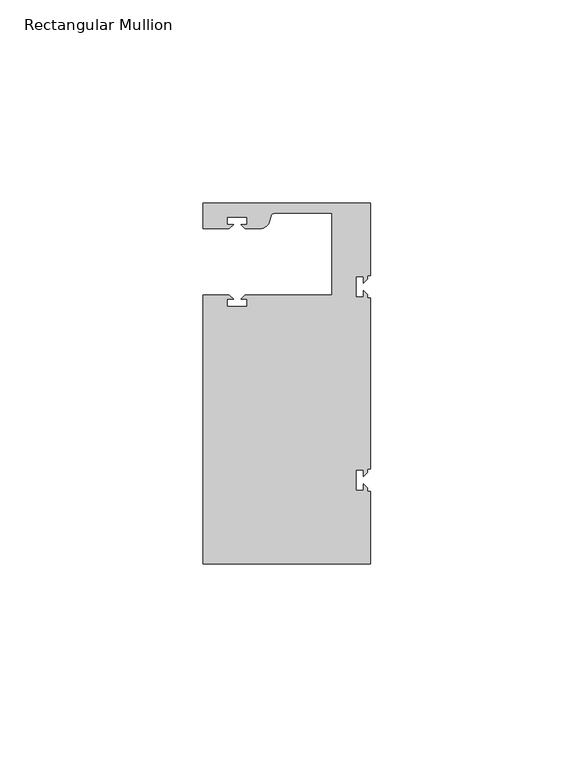
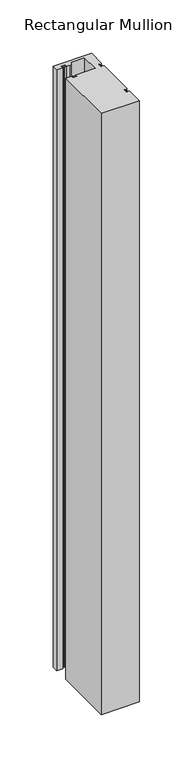
"""IFC4 building model written with IfcOpenShell, lengths in millimetres: member geometry, Rectangular Mullion."""

import ifcopenshell
import ifcopenshell.guid

model = None  # the IFC model being written
_history = None  # IfcOwnerHistory: only IFC2X3 demands one
_inside = {}  # id of a spatial element -> (the spatial element, [elements in it])
_under = {}  # id of a project, library or spatial element -> (it, [spatial elements below it])
_declared = {}  # id of a project -> (the project, [libraries it declares])
_typed = {}  # id of a type object -> (the type object, [elements of that type])
_made_of = {}  # id of a material, layer set ... -> (it, [elements and type objects made of it])


def new_model(schema):
    """Start an empty IFC model of exactly this schema.

    Asked for "IFC4X3", IfcOpenShell would pick the latest addendum, in which some entities
    have other attributes; the version numbers below select the first issue.
    IFC2X3 requires an IfcOwnerHistory on every rooted entity: one is made here for all.
    """
    global model, _history
    if schema == "IFC4X3":
        model = ifcopenshell.file(schema_version=(4, 3, 0, 0))
    else:
        model = ifcopenshell.file(schema=schema)
    _inside.clear()
    _under.clear()
    _declared.clear()
    _typed.clear()
    _made_of.clear()
    _history = None
    if model.schema == "IFC2X3":
        org = make("IfcOrganization", Name="unknown")
        user = make(
            "IfcPersonAndOrganization",
            ThePerson=make("IfcPerson", FamilyName="unknown"),
            TheOrganization=org,
        )
        app = make(
            "IfcApplication",
            ApplicationDeveloper=org,
            Version="unknown",
            ApplicationFullName="unknown",
            ApplicationIdentifier="unknown",
        )
        _history = make(
            "IfcOwnerHistory",
            OwningUser=user,
            OwningApplication=app,
            ChangeAction="ADDED",
            CreationDate=0,
        )
    return model


def make(cls, **values):
    """One entity of the class cls with the attributes given. An attribute that is None is left unset."""
    return model.create_entity(
        cls, **{name: value for name, value in values.items() if value is not None}
    )


def rooted(cls, **values):
    """An entity with a GlobalId (a new one), such as an element, a storey or a relation."""
    return make(cls, GlobalId=ifcopenshell.guid.new(), OwnerHistory=_history, **values)


def si_unit(unit_type, name, prefix=None):
    """IfcSIUnit, for example si_unit("LENGTHUNIT", "METRE", prefix="MILLI")."""
    return make("IfcSIUnit", UnitType=unit_type, Prefix=prefix, Name=name)


def assignment(units):
    """IfcUnitAssignment: the units of a project."""
    return None if units is None else make("IfcUnitAssignment", Units=units)


def point(xyz):
    """IfcCartesianPoint."""
    return None if xyz is None else make("IfcCartesianPoint", Coordinates=xyz)


def direction(xyz):
    """IfcDirection."""
    return None if xyz is None else make("IfcDirection", DirectionRatios=xyz)


def frame(location, z_axis=None, x_axis=None):
    """IfcAxis2Placement3D, a coordinate frame: its origin and axes. An axis left out is left unset."""
    return make(
        "IfcAxis2Placement3D",
        Location=point(location),
        Axis=direction(z_axis),
        RefDirection=direction(x_axis),
    )


def frame_2d(location, x_axis=None):
    """IfcAxis2Placement2D, a coordinate frame in the plane: its origin and x axis."""
    return make(
        "IfcAxis2Placement2D", Location=point(location), RefDirection=direction(x_axis)
    )


def origin():
    """The frame at (0, 0, 0) with its axes left unset."""
    return frame((0.0, 0.0, 0.0))


def place(relative_to, where):
    """IfcLocalPlacement: puts the frame where relative to a parent placement (None: the world)."""
    return make(
        "IfcLocalPlacement", PlacementRelTo=relative_to, RelativePlacement=where
    )


def context(
    kind, dimensions, precision=None, world=None, true_north=None, identifier=None
):
    """IfcGeometricRepresentationContext, for example the 3D "Model" context."""
    return make(
        "IfcGeometricRepresentationContext",
        ContextIdentifier=identifier,
        ContextType=kind,
        CoordinateSpaceDimension=dimensions,
        Precision=precision,
        WorldCoordinateSystem=world,
        TrueNorth=true_north,
    )


def project(units=None, contexts=None):
    """IfcProject with its units and contexts."""
    return rooted(
        "IfcProject",
        Name="project",
        RepresentationContexts=contexts,
        UnitsInContext=assignment(units),
    )


def spatial(cls, under=None, at=None, **own):
    """A site, building, storey or space (cls), placed at a placement, below another one or the project."""
    s = rooted(cls, ObjectPlacement=at, **own)
    if under is not None:
        _under.setdefault(under.id(), (under, []))[1].append(s)
    return s


def polyline(points):
    """IfcPolyline through the points."""
    return make("IfcPolyline", Points=[point(p) for p in points])


def circle_curve(where, radius):
    """IfcCircle in the frame where."""
    return make("IfcCircle", Position=where, Radius=radius)


def trimmed(basis, trim1, trim2, sense, master):
    """IfcTrimmedCurve: the piece of a basis curve between two trims."""
    return make(
        "IfcTrimmedCurve",
        BasisCurve=basis,
        Trim1=trim1,
        Trim2=trim2,
        SenseAgreement=sense,
        MasterRepresentation=master,
    )


def segment(curve, same_sense, transition):
    """IfcCompositeCurveSegment."""
    return make(
        "IfcCompositeCurveSegment",
        Transition=transition,
        SameSense=same_sense,
        ParentCurve=curve,
    )


def composite_curve(segments, self_intersect=None):
    """IfcCompositeCurve: segments joined end to end."""
    return make("IfcCompositeCurve", Segments=segments, SelfIntersect=self_intersect)


def outline(outer, holes=None, kind="AREA"):
    """IfcArbitraryClosedProfileDef: a profile drawn as a closed curve; with holes, ...WithVoids."""
    if holes is None:
        return make("IfcArbitraryClosedProfileDef", ProfileType=kind, OuterCurve=outer)
    return make(
        "IfcArbitraryProfileDefWithVoids",
        ProfileType=kind,
        OuterCurve=outer,
        InnerCurves=holes,
    )


def extrude(swept, where, along, depth):
    """IfcExtrudedAreaSolid: the profile swept, set in the frame where, extruded along a direction by depth."""
    return make(
        "IfcExtrudedAreaSolid",
        SweptArea=swept,
        Position=where,
        ExtrudedDirection=direction(along),
        Depth=depth,
    )


def shape(context_of_items, identifier, shape_type, items):
    """IfcShapeRepresentation: the items that make up one representation, for example the "Body"."""
    return make(
        "IfcShapeRepresentation",
        ContextOfItems=context_of_items,
        RepresentationIdentifier=identifier,
        RepresentationType=shape_type,
        Items=items,
    )


def source(mapping_origin, context_of_items, identifier, shape_type, items):
    """IfcRepresentationMap: a shape defined once, which mapped items show again and again."""
    return make(
        "IfcRepresentationMap",
        MappingOrigin=mapping_origin,
        MappedRepresentation=shape(context_of_items, identifier, shape_type, items),
    )


def transform(
    local_origin,
    x_axis=None,
    y_axis=None,
    z_axis=None,
    scale=None,
    scale2=None,
    scale3=None,
    uniform=True,
):
    """IfcCartesianTransformationOperator3D, or its non-uniform kind. x_axis, y_axis, z_axis: its Axis1, 2, 3."""
    if uniform:
        return make(
            "IfcCartesianTransformationOperator3D",
            Axis1=direction(x_axis),
            Axis2=direction(y_axis),
            LocalOrigin=point(local_origin),
            Scale=scale,
            Axis3=direction(z_axis),
        )
    return make(
        "IfcCartesianTransformationOperator3DnonUniform",
        Axis1=direction(x_axis),
        Axis2=direction(y_axis),
        LocalOrigin=point(local_origin),
        Scale=scale,
        Axis3=direction(z_axis),
        Scale2=scale2,
        Scale3=scale3,
    )


def mapped(mapping_source, mapping_target):
    """IfcMappedItem: shows the shape of a source again, moved by a transform."""
    return make(
        "IfcMappedItem", MappingSource=mapping_source, MappingTarget=mapping_target
    )


def made_of(thing, what):
    """Note that an element or type object is made of a material, layer set ...; save() writes the relation."""
    if what is not None:
        _made_of.setdefault(what.id(), (what, []))[1].append(thing)
    return thing


def element(
    cls,
    number,
    at=None,
    inside=None,
    cuts=None,
    type_object=None,
    material=None,
    context=None,
    identifier="Body",
    shape_type=None,
    held_by="IfcProductDefinitionShape",
    body=None,
    shapes=None,
    **own,
):
    """One element of the class cls, such as IfcWall. Its Tag is "e" and its number.

    at: its placement. inside: the storey or other place that contains it. cuts: it is an
    opening in that element (IfcRelVoidsElement). A single representation is given by context,
    identifier, shape_type and body (its items); several are given by shapes. held_by: the class
    of the entity that holds the representations. save() writes the other relations.
    """
    e = rooted(cls, Tag="e%d" % number, ObjectPlacement=at, **own)
    if body is not None:
        shapes = [shape(context, identifier, shape_type, body)]
    if shapes is not None:
        e.Representation = make(held_by, Representations=shapes)
    if inside is not None:
        _inside.setdefault(inside.id(), (inside, []))[1].append(e)
    if cuts is not None:
        rooted(
            "IfcRelVoidsElement", RelatingBuildingElement=cuts, RelatedOpeningElement=e
        )
    if type_object is not None:
        _typed.setdefault(type_object.id(), (type_object, []))[1].append(e)
    return made_of(e, material)


def aggregate(whole, parts):
    """IfcRelAggregates: a whole, such as a stair, and the parts it consists of."""
    return rooted("IfcRelAggregates", RelatingObject=whole, RelatedObjects=parts)


def save(model, path):
    """Write the relations noted so far, then the file.

    IfcRelAggregates (storeys below a building ...), IfcRelContainedInSpatialStructure (elements
    in a storey), IfcRelDefinesByType, IfcRelAssociatesMaterial and IfcRelDeclares: one each for
    every whole, place, type object, material and project.
    """
    for whole, parts in _under.values():
        aggregate(whole, parts)
    for where, things in _inside.values():
        rooted(
            "IfcRelContainedInSpatialStructure",
            RelatedElements=things,
            RelatingStructure=where,
        )
    for kind, things in _typed.values():
        rooted("IfcRelDefinesByType", RelatedObjects=things, RelatingType=kind)
    for what, things in _made_of.values():
        rooted("IfcRelAssociatesMaterial", RelatedObjects=things, RelatingMaterial=what)
    for by, libraries in _declared.values():
        rooted("IfcRelDeclares", RelatingContext=by, RelatedDefinitions=libraries)
    model.write(path)


def rectangular_mullion_920f3320(model_context):
    return source(origin(), model_context, "Body", "SweptSolid", [
        extrude(outline(composite_curve([segment(polyline([(0.0, 44.45), (0.0, 26.5319902), (-0.79375, 26.5319902), (-0.79375, 25.7382402), (-1.7937657, 24.7382245), (-1.7937657, 26.3124974), (-3.5938131, 26.3124974), (-3.5938131, 21.3125026), (-1.7937657, 21.3125026), (-1.7937657, 22.88674), (-0.79375, 21.8867243), (-0.79375, 21.0930098), (0.0, 21.0930098), (0.0, -21.0930098), (-0.79375, -21.0930098), (-0.79375, -21.8867598), (-1.7937657, -22.8867755), (-1.7937657, -21.3125026), (-3.5938131, -21.3125026), (-3.5938131, -26.3124974), (-1.7937657, -26.3124974), (-1.7937657, -24.73826), (-0.79375, -25.7382757), (-0.79375, -26.5319902), (0.0, -26.5319902), (0.0, -44.45), (-41.275, -44.45), (-41.275, 21.749999), (-34.8007562, 21.749999), (-33.8007405, 20.7499834), (-35.3750134, 20.7499834), (-35.3750134, 18.949936), (-30.3750186, 18.949936), (-30.3750186, 20.7499834), (-31.949256, 20.7499834), (-30.9492434, 21.7499959), (-9.525, 21.7499959), (-9.525, 41.95), (-23.5599329, 41.95)]), True, "CONTINUOUS"), segment(trimmed(circle_curve(frame_2d((-23.5599329, 40.9500001)), 1.0), [point((-23.5599329, 41.95))], [point((-24.5258588, 41.2088192))], True, "CARTESIAN"), True, "CONTINUOUS"), segment(polyline([(-24.5258588, 41.2088192), (-24.8489707, 40.002949)]), True, "CONTINUOUS"), segment(trimmed(circle_curve(frame_2d((-27.2637853, 40.6499966)), 2.5), [point((-24.8489707, 40.002949))], [point((-27.2637853, 38.1499966))], False, "CARTESIAN"), True, "CONTINUOUS"), segment(polyline([(-27.2637853, 38.1499966), (-30.9492503, 38.1499966), (-31.949256, 39.1500023), (-30.3749831, 39.1500023), (-30.3749831, 40.9498819), (-35.3749778, 40.9498819), (-35.3749778, 39.1500023), (-33.8007405, 39.1500023), (-34.8007531, 38.1499897), (-41.2749977, 38.1499897), (-41.2749977, 44.45), (0.0, 44.45)]), True, "CONTINUOUS")], self_intersect=False)), frame((0.0, 0.0, -685.8), z_axis=(0.0, 0.0, 1.0), x_axis=(1.0, 0.0, 0.0)), (0.0, 0.0, 1.0), 685.8),
    ])


if __name__ == "__main__":
    model = new_model("IFC4")
    model_context = context("Model", 3, world=origin())
    ifc_project = project(units=[si_unit("LENGTHUNIT", "METRE", prefix="MILLI")], contexts=[model_context])
    site = spatial("IfcSite", under=ifc_project)
    building = spatial("IfcBuilding", under=site)
    placement = place(None, origin())
    rectangular_mullion_shape = rectangular_mullion_920f3320(model_context)
    element("IfcMember", 1, ObjectType="Rectangular Mullion", at=placement, inside=building, context=model_context, shape_type="MappedRepresentation", body=[
        mapped(rectangular_mullion_shape, transform((0.0, 0.0, 0.0), x_axis=(1.0, 0.0, 0.0), y_axis=(0.0, 1.0, 0.0), z_axis=(0.0, 0.0, 1.0))),
    ])
    save(model, "model.ifc")
